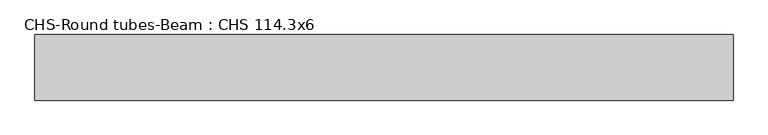
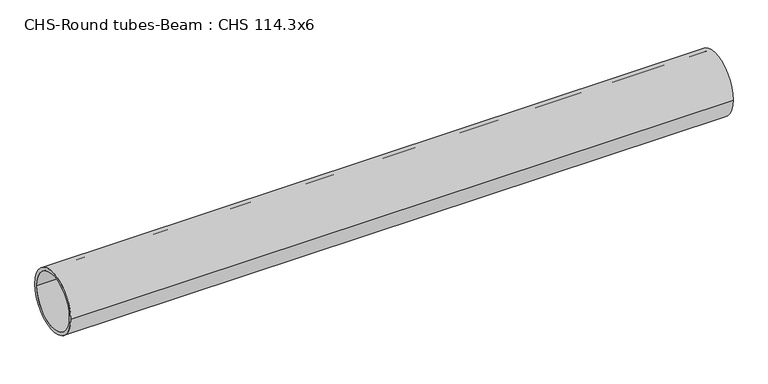
"""IFC4 building model written with IfcOpenShell, lengths in millimetres: beam geometry, CHS-Round tubes-Beam : CHS 114.3x6."""

from ifc_helpers import new_model, si_unit, point, frame, origin, origin_2d, place, context, project, spatial, circle_curve, trimmed, segment, composite_curve, outline, extrude, source, transform, mapped, element, save


def chs_round_tubes_beam_chs_114_3x6_950350f7(model_context):
    return source(origin(), model_context, "Body", "SweptSolid", [
        extrude(outline(composite_curve([segment(trimmed(circle_curve(origin_2d(), 57.15), [point((57.15, 0.0))], [point((-57.15, 0.0))], False, "CARTESIAN"), True, "CONTINUOUS"), segment(trimmed(circle_curve(origin_2d(), 57.15), [point((-57.15, 0.0))], [point((57.15, 0.0))], False, "CARTESIAN"), True, "CONTINUOUS")], self_intersect=False), holes=[composite_curve([segment(trimmed(circle_curve(origin_2d(), 51.15), [point((51.15, 0.0))], [point((-51.15, 0.0))], True, "CARTESIAN"), True, "CONTINUOUS"), segment(trimmed(circle_curve(origin_2d(), 51.15), [point((-51.15, 0.0))], [point((51.15, 0.0))], True, "CARTESIAN"), True, "CONTINUOUS")], self_intersect=False)]), frame((-491.0392739, 0.0, 0.0), z_axis=(1.0, 0.0, 0.0), x_axis=(0.0, 1.0, 0.0)), (0.0, 0.0, 1.0), 1216.5761476),
    ])


if __name__ == "__main__":
    model = new_model("IFC4")
    model_context = context("Model", 3, world=origin())
    ifc_project = project(units=[si_unit("LENGTHUNIT", "METRE", prefix="MILLI")], contexts=[model_context])
    site = spatial("IfcSite", under=ifc_project)
    building = spatial("IfcBuilding", under=site)
    placement = place(None, origin())
    chs_round_tubes_beam_chs_114_3x6_shape = chs_round_tubes_beam_chs_114_3x6_950350f7(model_context)
    element("IfcBeam", 1, ObjectType="CHS-Round tubes-Beam : CHS 114.3x6", at=placement, inside=building, context=model_context, shape_type="MappedRepresentation", body=[
        mapped(chs_round_tubes_beam_chs_114_3x6_shape, transform((0.0, 0.0, 0.0), x_axis=(1.0, 0.0, 0.0), y_axis=(0.0, 1.0, 0.0), z_axis=(0.0, 0.0, 1.0))),
    ])
    save(model, "model.ifc")
